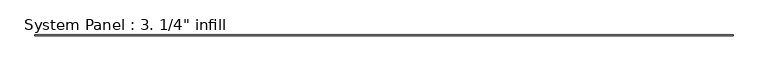
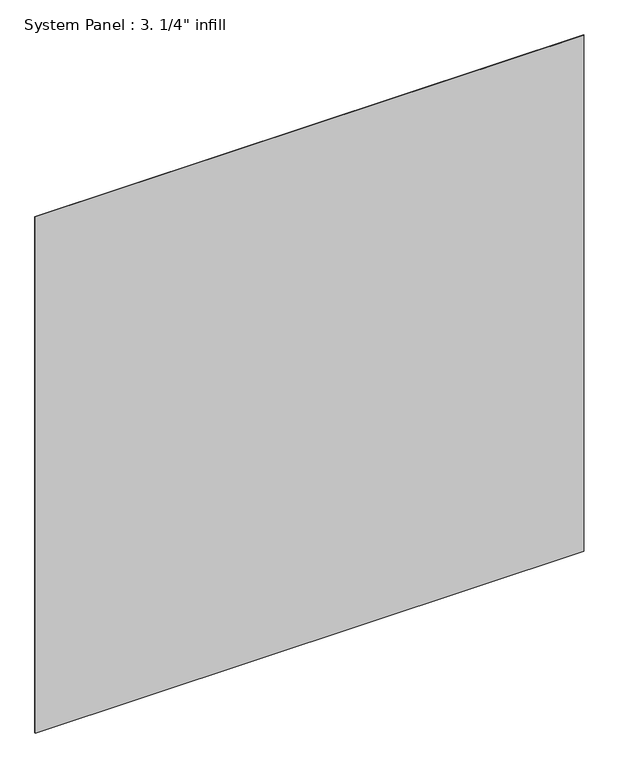
"""IFC4 building model written with IfcOpenShell, lengths in millimetres: plate geometry."""

from ifc_helpers import new_model, si_unit, origin, origin_with_axes, place, context, project, spatial, polyline, outline, extrude, source, transform, mapped, element, save


def plate_bb482576(model_context):
    return source(origin(), model_context, "Body", "SweptSolid", [
        extrude(outline(polyline([(3016.25, -61.0195312), (-3016.25, -61.0195312), (-3016.25, -54.6695312), (3016.25, -54.6695312), (3016.25, -61.0195312)])), origin_with_axes(), (0.0, 0.0, 1.0), 6000.75),
    ])


if __name__ == "__main__":
    model = new_model("IFC4")
    model_context = context("Model", 3, world=origin())
    ifc_project = project(units=[si_unit("LENGTHUNIT", "METRE", prefix="MILLI")], contexts=[model_context])
    site = spatial("IfcSite", under=ifc_project)
    building = spatial("IfcBuilding", under=site)
    placement = place(None, origin())
    plate_shape = plate_bb482576(model_context)
    element("IfcPlate", 1, ObjectType="System Panel : 3. 1/4\" infill", at=placement, inside=building, context=model_context, shape_type="MappedRepresentation", body=[
        mapped(plate_shape, transform((0.0, 0.0, 0.0), x_axis=(1.0, 0.0, 0.0), y_axis=(0.0, 1.0, 0.0), z_axis=(0.0, 0.0, 1.0))),
    ])
    save(model, "model.ifc")
